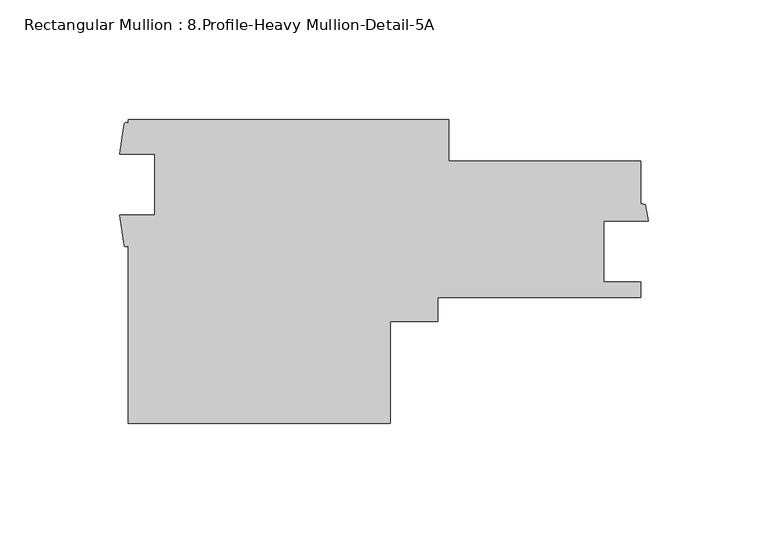
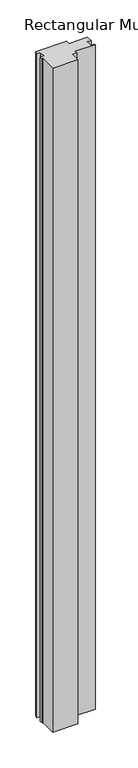
"""IFC4 building model written with IfcOpenShell, lengths in millimetres: member geometry, Rectangular Mullion : 8.Profile-Heavy Mullion-Detail-5A."""

from ifc_helpers import new_model, si_unit, point, frame, frame_2d, origin, place, context, project, spatial, polyline, circle_curve, trimmed, segment, composite_curve, outline, extrude, source, transform, mapped, element, save


def rectangular_mullion_8_profile_heavy_mullion_detail_5a_e9298692(model_context):
    return source(origin(), model_context, "Body", "SweptSolid", [
        extrude(outline(composite_curve([segment(polyline([(-83.4785268, -2.6031067), (-83.4785268, -19.9128765), (-3.1216867, -19.9128765), (-3.1216867, -37.8280617), (-1.2801579, -38.1527729), (0.0, -45.0986003), (-18.7426867, -45.0986003), (-18.7426867, -70.4969766), (-3.1216867, -70.4969766), (-3.1216867, -77.0627735), (-88.048968, -77.0627735), (-88.048968, -87.1343067), (-107.886368, -87.1343067), (-107.886368, -129.6031067), (-217.4238393, -129.6031067), (-217.4238393, -55.2796845)]), True, "CONTINUOUS"), segment(trimmed(circle_curve(frame_2d((-218.2555414, -54.8084414)), 0.9559281), [point((-217.4238393, -55.2796845))], [point((-219.0872436, -55.2796845))], False, "CARTESIAN"), True, "CONTINUOUS"), segment(polyline([(-219.0872436, -55.2796845), (-220.9420397, -42.5157243), (-206.3113393, -42.5157243), (-206.3113393, -17.1066318), (-220.8198393, -17.1066318), (-219.0097355, -4.3353442)]), True, "CONTINUOUS"), segment(trimmed(circle_curve(frame_2d((-218.2167874, -4.791261)), 0.9146731), [point((-219.0097355, -4.3353442))], [point((-217.4238393, -4.3353442))], False, "CARTESIAN"), True, "CONTINUOUS"), segment(polyline([(-217.4238393, -4.3353442), (-217.4238393, -2.6031067), (-83.4785268, -2.6031067)]), True, "CONTINUOUS")], self_intersect=False)), frame((0.0, 0.0, -3048.0), z_axis=(0.0, 0.0, 1.0), x_axis=(1.0, 0.0, 0.0)), (0.0, 0.0, 1.0), 3048.0),
    ])


if __name__ == "__main__":
    model = new_model("IFC4")
    model_context = context("Model", 3, world=origin())
    ifc_project = project(units=[si_unit("LENGTHUNIT", "METRE", prefix="MILLI")], contexts=[model_context])
    site = spatial("IfcSite", under=ifc_project)
    building = spatial("IfcBuilding", under=site)
    placement = place(None, origin())
    rectangular_mullion_8_profile_heavy_mullion_detail_5a_shape = rectangular_mullion_8_profile_heavy_mullion_detail_5a_e9298692(model_context)
    element("IfcMember", 1, ObjectType="Rectangular Mullion : 8.Profile-Heavy Mullion-Detail-5A", at=placement, inside=building, context=model_context, shape_type="MappedRepresentation", body=[
        mapped(rectangular_mullion_8_profile_heavy_mullion_detail_5a_shape, transform((0.0, 0.0, 0.0), x_axis=(1.0, 0.0, 0.0), y_axis=(0.0, 1.0, 0.0), z_axis=(0.0, 0.0, 1.0))),
    ])
    save(model, "model.ifc")
